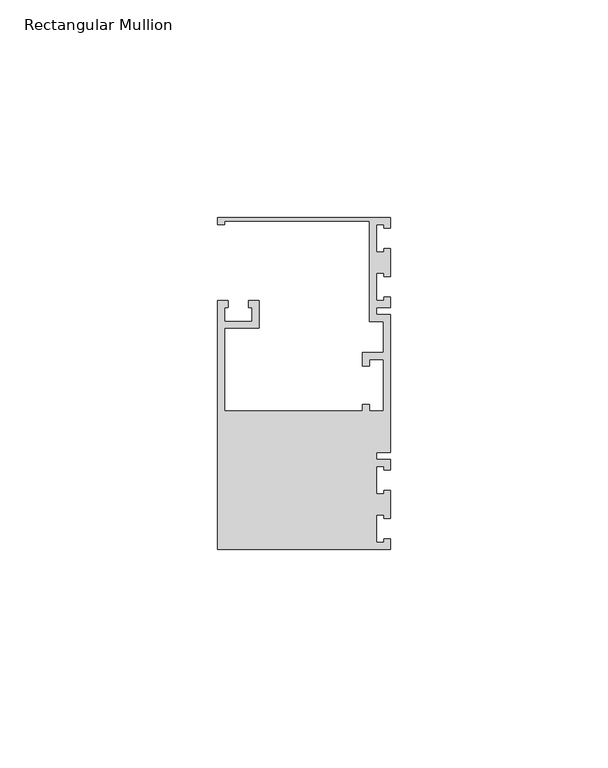
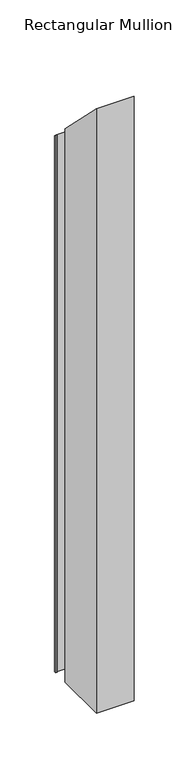
"""IFC4 building model written with IfcOpenShell, lengths in millimetres: member geometry, Rectangular Mullion."""

from ifc_helpers import new_model, si_unit, origin, place, context, project, spatial, faceted_brep, source, transform, mapped, element, save


def rectangular_mullion_f42aa33f(model_context):
    return source(origin(), model_context, "Body", "Brep", [
        faceted_brep([(0.0, 38.1, -635.0), (0.0, 35.71875, -635.0), (-1.4999946, 35.71875, -635.0), (-1.4999946, 36.5125, -635.0), (-3.175, 36.5125, -635.0), (-3.175, 30.1625, -635.0), (-1.4999946, 30.1625, -635.0), (-1.4999946, 30.95625, -635.0), (0.0, 30.95625, -635.0), (0.0, 24.60625, -635.0), (-1.4999946, 24.60625, -635.0), (-1.4999946, 25.4, -635.0), (-3.175, 25.4, -635.0), (-3.175, 19.05, -635.0), (-1.4999946, 19.05, -635.0), (-1.4999946, 19.84375, -635.0), (0.0, 19.84375, -635.0), (0.0, 17.4625, -635.0), (-3.175, 17.4625, -635.0), (-3.175, 15.875, -635.0), (0.0, 15.875, -635.0), (0.0, -15.875, -635.0), (-3.175, -15.875, -635.0), (-3.175, -17.4625, -635.0), (0.0, -17.4625, -635.0), (0.0, -19.84375, -635.0), (-1.4999946, -19.84375, -635.0), (-1.4999946, -19.05, -635.0), (-3.175, -19.05, -635.0), (-3.175, -25.4, -635.0), (-1.4999946, -25.4, -635.0), (-1.4999946, -24.60625, -635.0), (0.0, -24.60625, -635.0), (0.0, -30.95625, -635.0), (-1.4999946, -30.95625, -635.0), (-1.4999946, -30.1625, -635.0), (-3.175, -30.1625, -635.0), (-3.175, -36.5125, -635.0), (-1.4999946, -36.5125, -635.0), (-1.4999946, -35.71875, -635.0), (0.0, -35.71875, -635.0), (0.0, -38.1, -635.0), (-39.6875, -38.1, -635.0), (-39.6875, 19.05, -635.0), (-37.30625, 19.05, -635.0), (-37.30625, 17.4625, -635.0), (-38.1, 17.4625, -635.0), (-38.1, 14.2875, -635.0), (-31.75, 14.2875, -635.0), (-31.75, 17.4625, -635.0), (-32.54375, 17.4625, -635.0), (-32.54375, 19.05, -635.0), (-30.1625, 19.05, -635.0), (-30.1625, 12.7, -635.0), (-38.1, 12.7, -635.0), (-38.1, -6.35, -635.0), (-6.35, -6.35, -635.0), (-6.35, -4.7625, -635.0), (-4.7625, -4.7625, -635.0), (-4.7625, -6.35, -635.0), (-1.5875, -6.35, -635.0), (-1.5875, 5.55625, -635.0), (-4.7625, 5.55625, -635.0), (-4.7625, 3.96875, -635.0), (-6.35, 3.96875, -635.0), (-6.35, 7.14375, -635.0), (-1.5875, 7.14375, -635.0), (-1.5875, 14.2875, -635.0), (-4.7625, 14.2875, -635.0), (-4.7625, 37.30625, -635.0), (-38.1, 37.30625, -635.0), (-38.1, 36.5125, -635.0), (-39.6875, 36.5125, -635.0), (-39.6875, 38.1, -635.0), (-39.6875, 38.1, -38.1), (0.0, 38.1, -38.1), (-39.6875, 36.5125, -36.5125), (-38.1, 36.5125, -36.5125), (-38.1, 37.30625, -37.30625), (-4.7625, 37.30625, -37.30625), (-4.7625, 14.2875, -14.2875), (-1.5875, 14.2875, -14.2875), (-1.5875, 7.14375, -7.14375), (-6.35, 7.14375, -7.14375), (-6.35, 3.96875, -3.96875), (-4.7625, 3.96875, -3.96875), (-4.7625, 5.55625, -5.55625), (-1.5875, 5.55625, -5.55625), (-1.5875, -6.35, 6.35), (-4.7625, -6.35, 6.35), (-4.7625, -4.7625, 4.7625), (-6.35, -4.7625, 4.7625), (-6.35, -6.35, 6.35), (-38.1, -6.35, 6.35), (-38.1, 12.7, -12.7), (-30.1625, 12.7, -12.7), (-30.1625, 19.05, -19.05), (-32.54375, 19.05, -19.05), (-32.54375, 17.4625, -17.4625), (-31.75, 17.4625, -17.4625), (-31.75, 14.2875, -14.2875), (-38.1, 14.2875, -14.2875), (-38.1, 17.4625, -17.4625), (-37.30625, 17.4625, -17.4625), (-37.30625, 19.05, -19.05), (-39.6875, 19.05, -19.05), (-39.6875, -38.1, 38.1), (0.0, -38.1, 38.1), (0.0, -35.71875, 35.71875), (-1.4999946, -35.71875, 35.71875), (-1.4999946, -36.5125, 36.5125), (-3.175, -36.5125, 36.5125), (-3.175, -30.1625, 30.1625), (-1.4999946, -30.1625, 30.1625), (-1.4999946, -30.95625, 30.95625), (0.0, -30.95625, 30.95625), (0.0, -24.60625, 24.60625), (-1.4999946, -24.60625, 24.60625), (-1.4999946, -25.4, 25.4), (-3.175, -25.4, 25.4), (-3.175, -19.05, 19.05), (-1.4999946, -19.05, 19.05), (-1.4999946, -19.84375, 19.84375), (0.0, -19.84375, 19.84375), (0.0, -17.4625, 17.4625), (-3.175, -17.4625, 17.4625), (-3.175, -15.875, 15.875), (0.0, -15.875, 15.875), (0.0, 15.875, -15.875), (-3.175, 15.875, -15.875), (-3.175, 17.4625, -17.4625), (0.0, 17.4625, -17.4625), (0.0, 19.84375, -19.84375), (-1.4999946, 19.84375, -19.84375), (-1.4999946, 19.05, -19.05), (-3.175, 19.05, -19.05), (-3.175, 25.4, -25.4), (-1.4999946, 25.4, -25.4), (-1.4999946, 24.60625, -24.60625), (0.0, 24.60625, -24.60625), (0.0, 30.95625, -30.95625), (-1.4999946, 30.95625, -30.95625), (-1.4999946, 30.1625, -30.1625), (-3.175, 30.1625, -30.1625), (-3.175, 36.5125, -36.5125), (-1.4999946, 36.5125, -36.5125), (-1.4999946, 35.71875, -35.71875), (0.0, 35.71875, -35.71875)], [[[0, 1, 2, 3, 4, 5, 6, 7, 8, 9, 10, 11, 12, 13, 14, 15, 16, 17, 18, 19, 20, 21, 22, 23, 24, 25, 26, 27, 28, 29, 30, 31, 32, 33, 34, 35, 36, 37, 38, 39, 40, 41, 42, 43, 44, 45, 46, 47, 48, 49, 50, 51, 52, 53, 54, 55, 56, 57, 58, 59, 60, 61, 62, 63, 64, 65, 66, 67, 68, 69, 70, 71, 72, 73]], [[74, 75, 0, 73]], [[76, 74, 73, 72]], [[77, 76, 72, 71]], [[78, 77, 71, 70]], [[79, 78, 70, 69]], [[80, 79, 69, 68]], [[81, 80, 68, 67]], [[82, 81, 67, 66]], [[83, 82, 66, 65]], [[84, 83, 65, 64]], [[85, 84, 64, 63]], [[86, 85, 63, 62]], [[87, 86, 62, 61]], [[88, 87, 61, 60]], [[89, 88, 60, 59]], [[90, 89, 59, 58]], [[91, 90, 58, 57]], [[92, 91, 57, 56]], [[93, 92, 56, 55]], [[94, 93, 55, 54]], [[95, 94, 54, 53]], [[96, 95, 53, 52]], [[97, 96, 52, 51]], [[98, 97, 51, 50]], [[99, 98, 50, 49]], [[100, 99, 49, 48]], [[101, 100, 48, 47]], [[102, 101, 47, 46]], [[103, 102, 46, 45]], [[104, 103, 45, 44]], [[105, 104, 44, 43]], [[106, 105, 43, 42]], [[107, 106, 42, 41]], [[108, 107, 41, 40]], [[109, 108, 40, 39]], [[110, 109, 39, 38]], [[111, 110, 38, 37]], [[112, 111, 37, 36]], [[113, 112, 36, 35]], [[114, 113, 35, 34]], [[115, 114, 34, 33]], [[116, 115, 33, 32]], [[117, 116, 32, 31]], [[118, 117, 31, 30]], [[119, 118, 30, 29]], [[120, 119, 29, 28]], [[121, 120, 28, 27]], [[122, 121, 27, 26]], [[123, 122, 26, 25]], [[124, 123, 25, 24]], [[125, 124, 24, 23]], [[126, 125, 23, 22]], [[127, 126, 22, 21]], [[128, 127, 21, 20]], [[129, 128, 20, 19]], [[130, 129, 19, 18]], [[131, 130, 18, 17]], [[132, 131, 17, 16]], [[133, 132, 16, 15]], [[134, 133, 15, 14]], [[135, 134, 14, 13]], [[136, 135, 13, 12]], [[137, 136, 12, 11]], [[138, 137, 11, 10]], [[139, 138, 10, 9]], [[140, 139, 9, 8]], [[141, 140, 8, 7]], [[142, 141, 7, 6]], [[143, 142, 6, 5]], [[144, 143, 5, 4]], [[145, 144, 4, 3]], [[146, 145, 3, 2]], [[147, 146, 2, 1]], [[75, 147, 1, 0]], [[75, 74, 76, 77, 78, 79, 80, 81, 82, 83, 84, 85, 86, 87, 88, 89, 90, 91, 92, 93, 94, 95, 96, 97, 98, 99, 100, 101, 102, 103, 104, 105, 106, 107, 108, 109, 110, 111, 112, 113, 114, 115, 116, 117, 118, 119, 120, 121, 122, 123, 124, 125, 126, 127, 128, 129, 130, 131, 132, 133, 134, 135, 136, 137, 138, 139, 140, 141, 142, 143, 144, 145, 146, 147]]]),
    ])


if __name__ == "__main__":
    model = new_model("IFC4")
    model_context = context("Model", 3, world=origin())
    ifc_project = project(units=[si_unit("LENGTHUNIT", "METRE", prefix="MILLI")], contexts=[model_context])
    site = spatial("IfcSite", under=ifc_project)
    building = spatial("IfcBuilding", under=site)
    placement = place(None, origin())
    rectangular_mullion_shape = rectangular_mullion_f42aa33f(model_context)
    element("IfcMember", 1, ObjectType="Rectangular Mullion", at=placement, inside=building, context=model_context, shape_type="MappedRepresentation", body=[
        mapped(rectangular_mullion_shape, transform((0.0, 0.0, 0.0), x_axis=(1.0, 0.0, 0.0), y_axis=(0.0, 1.0, 0.0), z_axis=(0.0, 0.0, 1.0))),
    ])
    save(model, "model.ifc")
